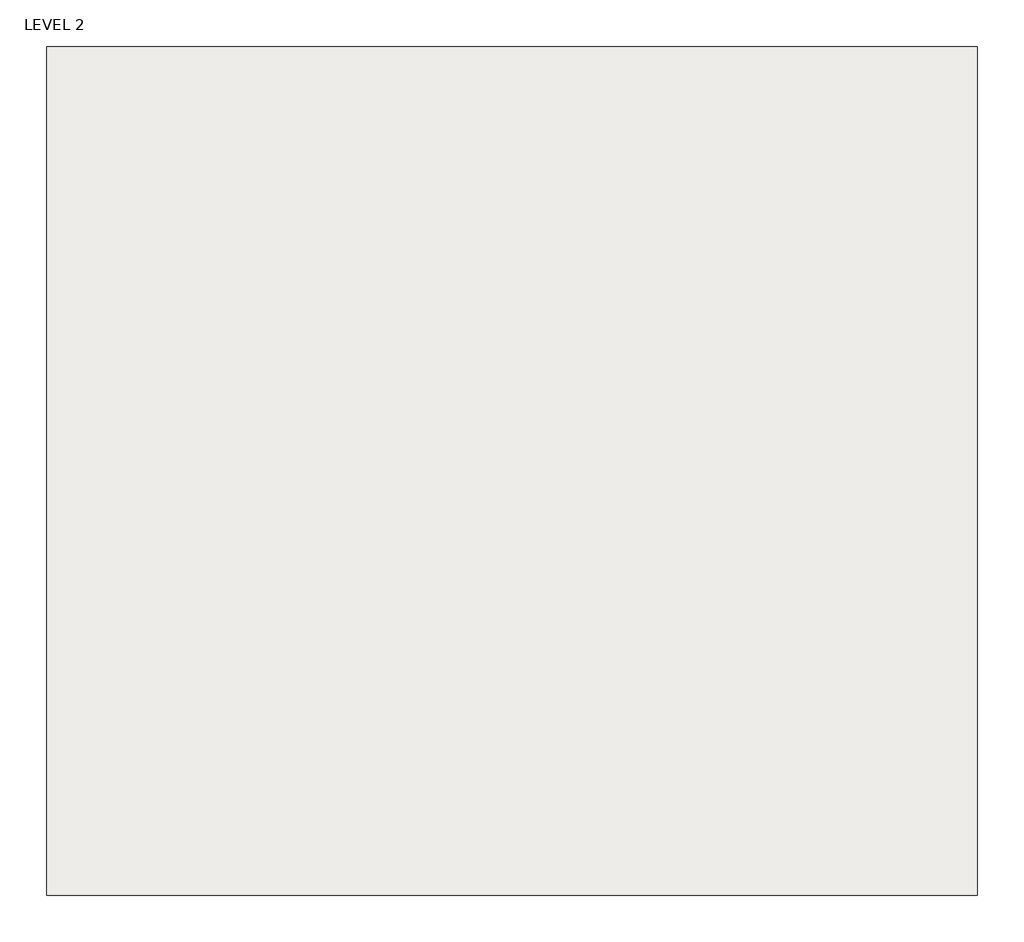
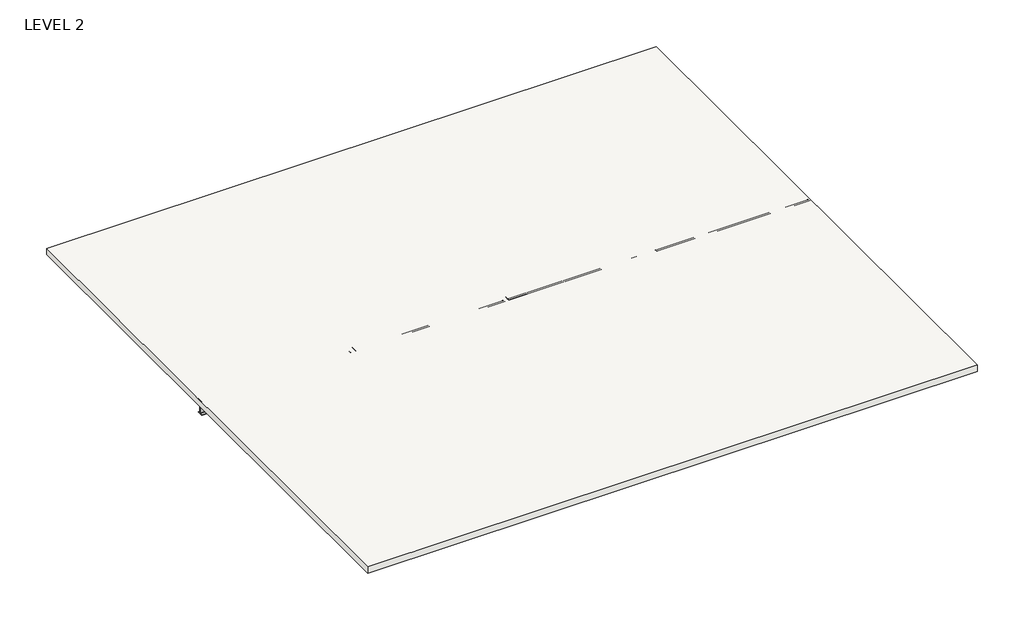
# One storey: 4 beams, 1 slab.
"""IFC4 building model written with IfcOpenShell, lengths in millimetres."""

import ifcopenshell
import ifcopenshell.guid

model = None  # the IFC model being written
_history = None  # IfcOwnerHistory: only IFC2X3 demands one
_inside = {}  # id of a spatial element -> (the spatial element, [elements in it])
_under = {}  # id of a project, library or spatial element -> (it, [spatial elements below it])
_declared = {}  # id of a project -> (the project, [libraries it declares])
_typed = {}  # id of a type object -> (the type object, [elements of that type])
_made_of = {}  # id of a material, layer set ... -> (it, [elements and type objects made of it])


def new_model(schema):
    """Start an empty IFC model of exactly this schema.

    Asked for "IFC4X3", IfcOpenShell would pick the latest addendum, in which some entities
    have other attributes; the version numbers below select the first issue.
    IFC2X3 requires an IfcOwnerHistory on every rooted entity: one is made here for all.
    """
    global model, _history
    if schema == "IFC4X3":
        model = ifcopenshell.file(schema_version=(4, 3, 0, 0))
    else:
        model = ifcopenshell.file(schema=schema)
    _inside.clear()
    _under.clear()
    _declared.clear()
    _typed.clear()
    _made_of.clear()
    _history = None
    if model.schema == "IFC2X3":
        org = make("IfcOrganization", Name="unknown")
        user = make(
            "IfcPersonAndOrganization",
            ThePerson=make("IfcPerson", FamilyName="unknown"),
            TheOrganization=org,
        )
        app = make(
            "IfcApplication",
            ApplicationDeveloper=org,
            Version="unknown",
            ApplicationFullName="unknown",
            ApplicationIdentifier="unknown",
        )
        _history = make(
            "IfcOwnerHistory",
            OwningUser=user,
            OwningApplication=app,
            ChangeAction="ADDED",
            CreationDate=0,
        )
    return model


def make(cls, **values):
    """One entity of the class cls with the attributes given. An attribute that is None is left unset."""
    return model.create_entity(
        cls, **{name: value for name, value in values.items() if value is not None}
    )


def rooted(cls, **values):
    """An entity with a GlobalId (a new one), such as an element, a storey or a relation."""
    return make(cls, GlobalId=ifcopenshell.guid.new(), OwnerHistory=_history, **values)


def si_unit(unit_type, name, prefix=None):
    """IfcSIUnit, for example si_unit("LENGTHUNIT", "METRE", prefix="MILLI")."""
    return make("IfcSIUnit", UnitType=unit_type, Prefix=prefix, Name=name)


def assignment(units):
    """IfcUnitAssignment: the units of a project."""
    return None if units is None else make("IfcUnitAssignment", Units=units)


def point(xyz):
    """IfcCartesianPoint."""
    return None if xyz is None else make("IfcCartesianPoint", Coordinates=xyz)


def direction(xyz):
    """IfcDirection."""
    return None if xyz is None else make("IfcDirection", DirectionRatios=xyz)


def frame(location, z_axis=None, x_axis=None):
    """IfcAxis2Placement3D, a coordinate frame: its origin and axes. An axis left out is left unset."""
    return make(
        "IfcAxis2Placement3D",
        Location=point(location),
        Axis=direction(z_axis),
        RefDirection=direction(x_axis),
    )


def frame_2d(location, x_axis=None):
    """IfcAxis2Placement2D, a coordinate frame in the plane: its origin and x axis."""
    return make(
        "IfcAxis2Placement2D", Location=point(location), RefDirection=direction(x_axis)
    )


def origin():
    """The frame at (0, 0, 0) with its axes left unset."""
    return frame((0.0, 0.0, 0.0))


def place(relative_to, where):
    """IfcLocalPlacement: puts the frame where relative to a parent placement (None: the world)."""
    return make(
        "IfcLocalPlacement", PlacementRelTo=relative_to, RelativePlacement=where
    )


def context(
    kind, dimensions, precision=None, world=None, true_north=None, identifier=None
):
    """IfcGeometricRepresentationContext, for example the 3D "Model" context."""
    return make(
        "IfcGeometricRepresentationContext",
        ContextIdentifier=identifier,
        ContextType=kind,
        CoordinateSpaceDimension=dimensions,
        Precision=precision,
        WorldCoordinateSystem=world,
        TrueNorth=true_north,
    )


def project(units=None, contexts=None):
    """IfcProject with its units and contexts."""
    return rooted(
        "IfcProject",
        Name="project",
        RepresentationContexts=contexts,
        UnitsInContext=assignment(units),
    )


def spatial(cls, under=None, at=None, **own):
    """A site, building, storey or space (cls), placed at a placement, below another one or the project."""
    s = rooted(cls, ObjectPlacement=at, **own)
    if under is not None:
        _under.setdefault(under.id(), (under, []))[1].append(s)
    return s


def polyline(points):
    """IfcPolyline through the points."""
    return make("IfcPolyline", Points=[point(p) for p in points])


def circle_curve(where, radius):
    """IfcCircle in the frame where."""
    return make("IfcCircle", Position=where, Radius=radius)


def trimmed(basis, trim1, trim2, sense, master):
    """IfcTrimmedCurve: the piece of a basis curve between two trims."""
    return make(
        "IfcTrimmedCurve",
        BasisCurve=basis,
        Trim1=trim1,
        Trim2=trim2,
        SenseAgreement=sense,
        MasterRepresentation=master,
    )


def segment(curve, same_sense, transition):
    """IfcCompositeCurveSegment."""
    return make(
        "IfcCompositeCurveSegment",
        Transition=transition,
        SameSense=same_sense,
        ParentCurve=curve,
    )


def composite_curve(segments, self_intersect=None):
    """IfcCompositeCurve: segments joined end to end."""
    return make("IfcCompositeCurve", Segments=segments, SelfIntersect=self_intersect)


def outline(outer, holes=None, kind="AREA"):
    """IfcArbitraryClosedProfileDef: a profile drawn as a closed curve; with holes, ...WithVoids."""
    if holes is None:
        return make("IfcArbitraryClosedProfileDef", ProfileType=kind, OuterCurve=outer)
    return make(
        "IfcArbitraryProfileDefWithVoids",
        ProfileType=kind,
        OuterCurve=outer,
        InnerCurves=holes,
    )


def extrude(swept, where, along, depth):
    """IfcExtrudedAreaSolid: the profile swept, set in the frame where, extruded along a direction by depth."""
    return make(
        "IfcExtrudedAreaSolid",
        SweptArea=swept,
        Position=where,
        ExtrudedDirection=direction(along),
        Depth=depth,
    )


def shape(context_of_items, identifier, shape_type, items):
    """IfcShapeRepresentation: the items that make up one representation, for example the "Body"."""
    return make(
        "IfcShapeRepresentation",
        ContextOfItems=context_of_items,
        RepresentationIdentifier=identifier,
        RepresentationType=shape_type,
        Items=items,
    )


def source(mapping_origin, context_of_items, identifier, shape_type, items):
    """IfcRepresentationMap: a shape defined once, which mapped items show again and again."""
    return make(
        "IfcRepresentationMap",
        MappingOrigin=mapping_origin,
        MappedRepresentation=shape(context_of_items, identifier, shape_type, items),
    )


def transform(
    local_origin,
    x_axis=None,
    y_axis=None,
    z_axis=None,
    scale=None,
    scale2=None,
    scale3=None,
    uniform=True,
):
    """IfcCartesianTransformationOperator3D, or its non-uniform kind. x_axis, y_axis, z_axis: its Axis1, 2, 3."""
    if uniform:
        return make(
            "IfcCartesianTransformationOperator3D",
            Axis1=direction(x_axis),
            Axis2=direction(y_axis),
            LocalOrigin=point(local_origin),
            Scale=scale,
            Axis3=direction(z_axis),
        )
    return make(
        "IfcCartesianTransformationOperator3DnonUniform",
        Axis1=direction(x_axis),
        Axis2=direction(y_axis),
        LocalOrigin=point(local_origin),
        Scale=scale,
        Axis3=direction(z_axis),
        Scale2=scale2,
        Scale3=scale3,
    )


def mapped(mapping_source, mapping_target):
    """IfcMappedItem: shows the shape of a source again, moved by a transform."""
    return make(
        "IfcMappedItem", MappingSource=mapping_source, MappingTarget=mapping_target
    )


def made_of(thing, what):
    """Note that an element or type object is made of a material, layer set ...; save() writes the relation."""
    if what is not None:
        _made_of.setdefault(what.id(), (what, []))[1].append(thing)
    return thing


def element(
    cls,
    number,
    at=None,
    inside=None,
    cuts=None,
    type_object=None,
    material=None,
    context=None,
    identifier="Body",
    shape_type=None,
    held_by="IfcProductDefinitionShape",
    body=None,
    shapes=None,
    **own,
):
    """One element of the class cls, such as IfcWall. Its Tag is "e" and its number.

    at: its placement. inside: the storey or other place that contains it. cuts: it is an
    opening in that element (IfcRelVoidsElement). A single representation is given by context,
    identifier, shape_type and body (its items); several are given by shapes. held_by: the class
    of the entity that holds the representations. save() writes the other relations.
    """
    e = rooted(cls, Tag="e%d" % number, ObjectPlacement=at, **own)
    if body is not None:
        shapes = [shape(context, identifier, shape_type, body)]
    if shapes is not None:
        e.Representation = make(held_by, Representations=shapes)
    if inside is not None:
        _inside.setdefault(inside.id(), (inside, []))[1].append(e)
    if cuts is not None:
        rooted(
            "IfcRelVoidsElement", RelatingBuildingElement=cuts, RelatedOpeningElement=e
        )
    if type_object is not None:
        _typed.setdefault(type_object.id(), (type_object, []))[1].append(e)
    return made_of(e, material)


def aggregate(whole, parts):
    """IfcRelAggregates: a whole, such as a stair, and the parts it consists of."""
    return rooted("IfcRelAggregates", RelatingObject=whole, RelatedObjects=parts)


def save(model, path):
    """Write the relations noted so far, then the file.

    IfcRelAggregates (storeys below a building ...), IfcRelContainedInSpatialStructure (elements
    in a storey), IfcRelDefinesByType, IfcRelAssociatesMaterial and IfcRelDeclares: one each for
    every whole, place, type object, material and project.
    """
    for whole, parts in _under.values():
        aggregate(whole, parts)
    for where, things in _inside.values():
        rooted(
            "IfcRelContainedInSpatialStructure",
            RelatedElements=things,
            RelatingStructure=where,
        )
    for kind, things in _typed.values():
        rooted("IfcRelDefinesByType", RelatedObjects=things, RelatingType=kind)
    for what, things in _made_of.values():
        rooted("IfcRelAssociatesMaterial", RelatedObjects=things, RelatingMaterial=what)
    for by, libraries in _declared.values():
        rooted("IfcRelDeclares", RelatingContext=by, RelatedDefinitions=libraries)
    model.write(path)


def w_wide_flange_w21x55_24ed099c(model_context):
    return source(origin(), model_context, "Body", "SweptSolid", [
        extrude(outline(composite_curve([segment(polyline([(104.394, -250.9012), (104.394, -264.16), (-104.394, -264.16), (-104.394, -250.9012), (-21.6662, -250.9012)]), True, "CONTINUOUS"), segment(trimmed(circle_curve(frame_2d((-21.6662, -233.9975)), 16.9037), [point((-21.6662, -250.9012))], [point((-4.7625, -233.9975))], True, "CARTESIAN"), True, "CONTINUOUS"), segment(polyline([(-4.7625, -233.9975), (-4.7625, 233.9975)]), True, "CONTINUOUS"), segment(trimmed(circle_curve(frame_2d((-21.6662, 233.9975)), 16.9037), [point((-4.7625, 233.9975))], [point((-21.6662, 250.9012))], True, "CARTESIAN"), True, "CONTINUOUS"), segment(polyline([(-21.6662, 250.9012), (-104.394, 250.9012), (-104.394, 264.16), (104.394, 264.16), (104.394, 250.9012), (21.6662, 250.9012)]), True, "CONTINUOUS"), segment(trimmed(circle_curve(frame_2d((21.6662, 233.9975)), 16.9037), [point((21.6662, 250.9012))], [point((4.7625, 233.9975))], True, "CARTESIAN"), True, "CONTINUOUS"), segment(polyline([(4.7625, 233.9975), (4.7625, -233.9975)]), True, "CONTINUOUS"), segment(trimmed(circle_curve(frame_2d((21.6662, -233.9975)), 16.9037), [point((4.7625, -233.9975))], [point((21.6662, -250.9012))], True, "CARTESIAN"), True, "CONTINUOUS"), segment(polyline([(21.6662, -250.9012), (104.394, -250.9012)]), True, "CONTINUOUS")], self_intersect=False)), frame((-2743.2, 0.0, 0.0), z_axis=(1.0, 0.0, 0.0), x_axis=(0.0, 1.0, 0.0)), (0.0, 0.0, 1.0), 5591.175),
    ])


def w_wide_flange_w21x55_f72bc300(model_context):
    return source(origin(), model_context, "Body", "SweptSolid", [
        extrude(outline(composite_curve([segment(polyline([(104.394, -250.9012), (104.394, -264.16), (-104.394, -264.16), (-104.394, -250.9012), (-21.6662, -250.9012)]), True, "CONTINUOUS"), segment(trimmed(circle_curve(frame_2d((-21.6662, -233.9975)), 16.9037), [point((-21.6662, -250.9012))], [point((-4.7625, -233.9975))], True, "CARTESIAN"), True, "CONTINUOUS"), segment(polyline([(-4.7625, -233.9975), (-4.7625, 233.9975)]), True, "CONTINUOUS"), segment(trimmed(circle_curve(frame_2d((-21.6662, 233.9975)), 16.9037), [point((-4.7625, 233.9975))], [point((-21.6662, 250.9012))], True, "CARTESIAN"), True, "CONTINUOUS"), segment(polyline([(-21.6662, 250.9012), (-104.394, 250.9012), (-104.394, 264.16), (104.394, 264.16), (104.394, 250.9012), (21.6662, 250.9012)]), True, "CONTINUOUS"), segment(trimmed(circle_curve(frame_2d((21.6662, 233.9975)), 16.9037), [point((21.6662, 250.9012))], [point((4.7625, 233.9975))], True, "CARTESIAN"), True, "CONTINUOUS"), segment(polyline([(4.7625, 233.9975), (4.7625, -233.9975)]), True, "CONTINUOUS"), segment(trimmed(circle_curve(frame_2d((21.6662, -233.9975)), 16.9037), [point((4.7625, -233.9975))], [point((21.6662, -250.9012))], True, "CARTESIAN"), True, "CONTINUOUS"), segment(polyline([(21.6662, -250.9012), (104.394, -250.9012)]), True, "CONTINUOUS")], self_intersect=False)), frame((-2781.3, 0.0, 0.0), z_axis=(1.0, 0.0, 0.0), x_axis=(0.0, 1.0, 0.0)), (0.0, 0.0, 1.0), 5562.6),
    ])


def w_wide_flange_w21x55_f63b496c(model_context):
    return source(origin(), model_context, "Body", "SweptSolid", [
        extrude(outline(composite_curve([segment(polyline([(104.394, -250.9012), (104.394, -264.16), (-104.394, -264.16), (-104.394, -250.9012), (-21.6662, -250.9012)]), True, "CONTINUOUS"), segment(trimmed(circle_curve(frame_2d((-21.6662, -233.9975)), 16.9037), [point((-21.6662, -250.9012))], [point((-4.7625, -233.9975))], True, "CARTESIAN"), True, "CONTINUOUS"), segment(polyline([(-4.7625, -233.9975), (-4.7625, 233.9975)]), True, "CONTINUOUS"), segment(trimmed(circle_curve(frame_2d((-21.6662, 233.9975)), 16.9037), [point((-4.7625, 233.9975))], [point((-21.6662, 250.9012))], True, "CARTESIAN"), True, "CONTINUOUS"), segment(polyline([(-21.6662, 250.9012), (-104.394, 250.9012), (-104.394, 264.16), (104.394, 264.16), (104.394, 250.9012), (21.6662, 250.9012)]), True, "CONTINUOUS"), segment(trimmed(circle_curve(frame_2d((21.6662, 233.9975)), 16.9037), [point((21.6662, 250.9012))], [point((4.7625, 233.9975))], True, "CARTESIAN"), True, "CONTINUOUS"), segment(polyline([(4.7625, 233.9975), (4.7625, -233.9975)]), True, "CONTINUOUS"), segment(trimmed(circle_curve(frame_2d((21.6662, -233.9975)), 16.9037), [point((4.7625, -233.9975))], [point((21.6662, -250.9012))], True, "CARTESIAN"), True, "CONTINUOUS"), segment(polyline([(21.6662, -250.9012), (104.394, -250.9012)]), True, "CONTINUOUS")], self_intersect=False)), frame((-2926.920091, 0.0, 0.0), z_axis=(1.0, 0.0, 0.0), x_axis=(0.0, 1.0, 0.0)), (0.0, 0.0, 1.0), 5635.195091),
    ])


model = new_model("IFC4")

# Units and contexts
model_context = context("Model", 3, world=origin())
ifc_project = project(units=[si_unit("LENGTHUNIT", "METRE", prefix="MILLI")], contexts=[model_context])

# Site, building, storey
site = spatial("IfcSite", under=ifc_project)
building = spatial("IfcBuilding", under=site)
storey = spatial("IfcBuildingStorey", under=building, Name="LEVEL 2", Elevation=3657.6)

# Beams
placement = place(None, origin())
w_wide_flange_w21x55_shape = w_wide_flange_w21x55_24ed099c(model_context)
element("IfcBeam", 1, ObjectType="W-Wide Flange : W21X55", at=placement, inside=storey, context=model_context, shape_type="MappedRepresentation", body=[
    mapped(w_wide_flange_w21x55_shape, transform((-2941.3664404, -2103.2574563, 3647.44), x_axis=(1.0, 0.0, 0.0), y_axis=(0.0, 1.0, 0.0), z_axis=(0.0, 0.0, 1.0))),
])
w_wide_flange_w21x55_2_shape = w_wide_flange_w21x55_f72bc300(model_context)
element("IfcBeam", 2, ObjectType="W-Wide Flange : W21X55", at=placement, inside=storey, context=model_context, shape_type="MappedRepresentation", body=[
    mapped(w_wide_flange_w21x55_2_shape, transform((2840.3085596, -2103.2574563, 3647.44), x_axis=(1.0, 0.0, 0.0), y_axis=(0.0, 1.0, 0.0), z_axis=(0.0, 0.0, 1.0))),
])
element("IfcBeam", 3, ObjectType="W-Wide Flange : W21X55", at=placement, inside=storey, context=model_context, shape_type="MappedRepresentation", body=[
    mapped(w_wide_flange_w21x55_2_shape, transform((8555.3085596, -2103.2574563, 3647.44), x_axis=(1.0, 0.0, 0.0), y_axis=(0.0, 1.0, 0.0), z_axis=(0.0, 0.0, 1.0))),
])
w_wide_flange_w21x55_3_shape = w_wide_flange_w21x55_f63b496c(model_context)
element("IfcBeam", 4, ObjectType="W-Wide Flange : W21X55", at=placement, inside=storey, context=model_context, shape_type="MappedRepresentation", body=[
    mapped(w_wide_flange_w21x55_3_shape, transform((14302.0585596, -2103.2574563, 3647.44), x_axis=(1.0, 0.0, 0.0), y_axis=(0.0, 1.0, 0.0), z_axis=(0.0, 0.0, 1.0))),
])

# Slab
element("IfcSlab", 5, ObjectType="10\" Concrete Hollow Core Plank", at=placement, inside=storey, context=model_context, shape_type="SweptSolid", body=[
    extrude(outline(polyline([(17061.1335596, 7794.1168289), (17061.1335596, -12949.0574563), (-5697.2664404, -12949.0574563), (-5697.2664404, 7794.1168289), (17061.1335596, 7794.1168289)])), frame((0.0, 0.0, 3657.6), z_axis=(0.0, 0.0, 1.0), x_axis=(1.0, 0.0, 0.0)), (0.0, 0.0, 1.0), 254.0),
])

save(model, "model.ifc")
